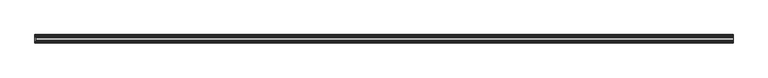
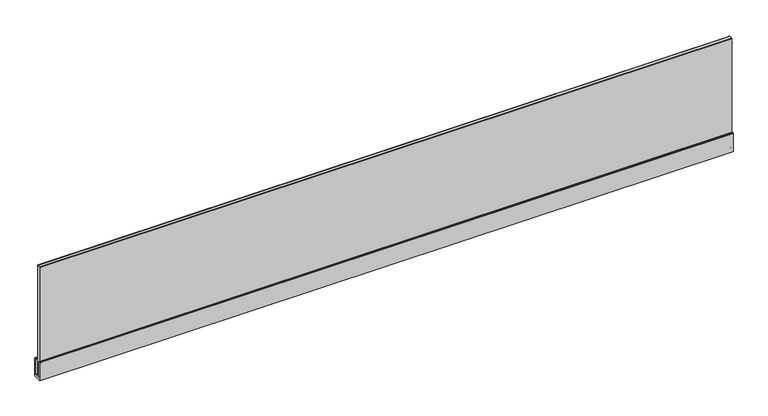
"""IFC4 building model written with IfcOpenShell, lengths in millimetres: furniture geometry."""

from ifc_helpers import new_model, si_unit, point, frame, frame_2d, origin, place, context, project, spatial, polyline, circle_curve, trimmed, segment, composite_curve, outline, extrude, source, transform, mapped, element, save


def furniture_ee56577d(model_context):
    return source(origin(), model_context, "Body", "SweptSolid", [
        extrude(outline(composite_curve([segment(trimmed(circle_curve(frame_2d((-35.8732773, 1118.5607682)), 0.639231), [point((-36.5125083, 1118.5607682))], [point((-35.8732773, 1119.1999992))], False, "CARTESIAN"), True, "CONTINUOUS"), segment(polyline([(-35.8732773, 1119.1999992), (-32.724155, 1119.1999992)]), True, "CONTINUOUS"), segment(trimmed(circle_curve(frame_2d((-32.724155, 1118.5433523)), 0.6566469), [point((-32.724155, 1119.1999992))], [point((-32.067508, 1118.5433523))], False, "CARTESIAN"), True, "CONTINUOUS"), segment(polyline([(-32.067508, 1118.5433523), (-32.067508, 1076.0200041), (-31.6955342, 1075.1219484), (-30.7974945, 1074.7500235), (-20.0024945, 1074.7500235), (-19.1044684, 1075.1219484), (-18.7324935, 1076.0200041), (-18.7324935, 1118.5008785)]), True, "CONTINUOUS"), segment(trimmed(circle_curve(frame_2d((-18.0333727, 1118.5008785)), 0.6991207), [point((-18.7324935, 1118.5008785))], [point((-18.0333727, 1119.1999992))], False, "CARTESIAN"), True, "CONTINUOUS"), segment(polyline([(-18.0333727, 1119.1999992), (-14.9543139, 1119.1999992)]), True, "CONTINUOUS"), segment(trimmed(circle_curve(frame_2d((-14.9543139, 1118.5331785)), 0.6668208), [point((-14.9543139, 1119.1999992))], [point((-14.2874932, 1118.5331785))], False, "CARTESIAN"), True, "CONTINUOUS"), segment(polyline([(-14.2874932, 1118.5331785), (-14.2874932, 1068.399975), (-36.5125083, 1068.399975), (-36.5125083, 1118.5607682)]), True, "CONTINUOUS")], self_intersect=False)), frame((0.0, 0.0, 0.0), z_axis=(1.0, 0.0, 0.0), x_axis=(0.0, 1.0, 0.0)), (0.0, 0.0, 1.0), 1828.8),
        extrude(outline(composite_curve([segment(polyline([(-29.3629381, 1380.1849411), (-21.1330886, 1380.1849411)]), True, "CONTINUOUS"), segment(trimmed(circle_curve(frame_2d((-21.1330886, 1379.5411588)), 0.6437823), [point((-21.1330886, 1380.1849411))], [point((-20.4893062, 1379.5411588))], False, "CARTESIAN"), True, "CONTINUOUS"), segment(polyline([(-20.4893062, 1379.5411588), (-20.4893062, 1076.0723136)]), True, "CONTINUOUS"), segment(trimmed(circle_curve(frame_2d((-21.176606, 1076.0723136)), 0.6872998), [point((-20.4893062, 1076.0723136))], [point((-21.176606, 1075.3850138))], False, "CARTESIAN"), True, "CONTINUOUS"), segment(polyline([(-21.176606, 1075.3850138), (-29.3399947, 1075.3850138)]), True, "CONTINUOUS"), segment(trimmed(circle_curve(frame_2d((-29.3399947, 1076.0593253)), 0.6743115), [point((-29.3399947, 1075.3850138))], [point((-30.0143062, 1076.0593253))], False, "CARTESIAN"), True, "CONTINUOUS"), segment(polyline([(-30.0143062, 1076.0593253), (-30.0143062, 1379.533573)]), True, "CONTINUOUS"), segment(trimmed(circle_curve(frame_2d((-29.3629381, 1379.533573)), 0.6513681), [point((-30.0143062, 1379.533573))], [point((-29.3629381, 1380.1849411))], False, "CARTESIAN"), True, "CONTINUOUS")], self_intersect=False)), frame((3.8520186, 0.0, 0.0), z_axis=(1.0, 0.0, 0.0), x_axis=(0.0, 1.0, 0.0)), (0.0, 0.0, 1.0), 1824.9479814),
    ])


if __name__ == "__main__":
    model = new_model("IFC4")
    model_context = context("Model", 3, world=origin())
    ifc_project = project(units=[si_unit("LENGTHUNIT", "METRE", prefix="MILLI")], contexts=[model_context])
    site = spatial("IfcSite", under=ifc_project)
    building = spatial("IfcBuilding", under=site)
    placement = place(None, origin())
    furniture_shape = furniture_ee56577d(model_context)
    element("IfcFurniture", 1, at=placement, inside=building, context=model_context, shape_type="MappedRepresentation", body=[
        mapped(furniture_shape, transform((0.0, 0.0, 0.0), x_axis=(1.0, 0.0, 0.0), y_axis=(0.0, 1.0, 0.0), z_axis=(0.0, 0.0, 1.0))),
    ])
    save(model, "model.ifc")
